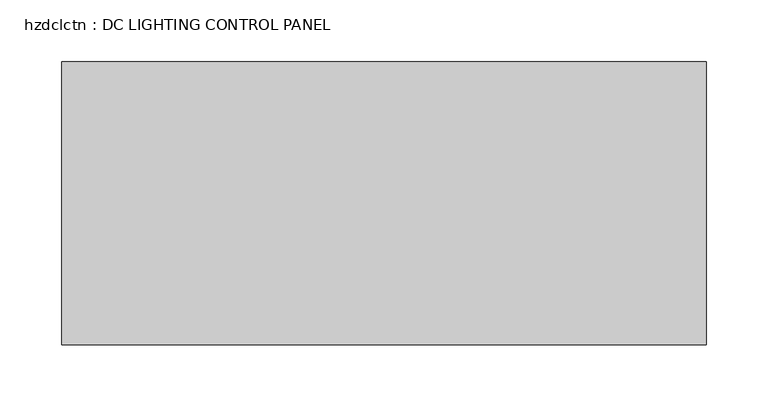
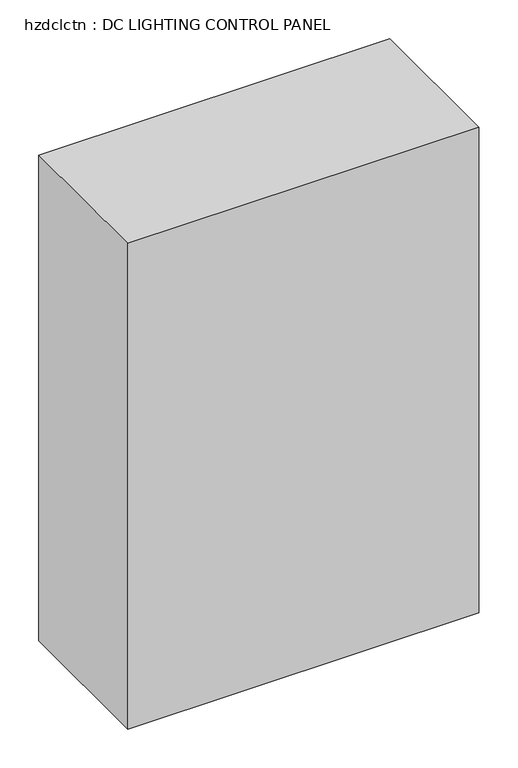
"""IFC4 building model written with IfcOpenShell, lengths in millimetres: proxy geometry, hzdclctn : DC LIGHTING CONTROL PANEL."""

from ifc_helpers import new_model, si_unit, frame, origin, place, context, project, spatial, polyline, outline, extrude, source, transform, mapped, element, save


def hzdclctn_dc_lighting_control_panel_ae16d7b8(model_context):
    return source(origin(), model_context, "Body", "SweptSolid", [
        extrude(outline(polyline([(-74.5036378, 626.0249791), (-74.5036378, 854.6249791), (446.1963622, 854.6249791), (446.1963622, 626.0249791), (-74.5036378, 626.0249791)])), frame((0.0, 0.0, 1124.1631467), z_axis=(0.0, 0.0, 1.0), x_axis=(1.0, 0.0, 0.0)), (0.0, 0.0, 1.0), 762.0),
    ])


if __name__ == "__main__":
    model = new_model("IFC4")
    model_context = context("Model", 3, world=origin())
    ifc_project = project(units=[si_unit("LENGTHUNIT", "METRE", prefix="MILLI")], contexts=[model_context])
    site = spatial("IfcSite", under=ifc_project)
    building = spatial("IfcBuilding", under=site)
    placement = place(None, origin())
    hzdclctn_dc_lighting_control_panel_shape = hzdclctn_dc_lighting_control_panel_ae16d7b8(model_context)
    element("IfcBuildingElementProxy", 1, Name="hzdclctn : DC LIGHTING CONTROL PANEL", ObjectType="hzdclctn : DC LIGHTING CONTROL PANEL", at=placement, inside=building, context=model_context, shape_type="MappedRepresentation", body=[
        mapped(hzdclctn_dc_lighting_control_panel_shape, transform((0.0, 0.0, 0.0), x_axis=(1.0, 0.0, 0.0), y_axis=(0.0, 1.0, 0.0), z_axis=(0.0, 0.0, 1.0))),
    ])
    save(model, "model.ifc")
